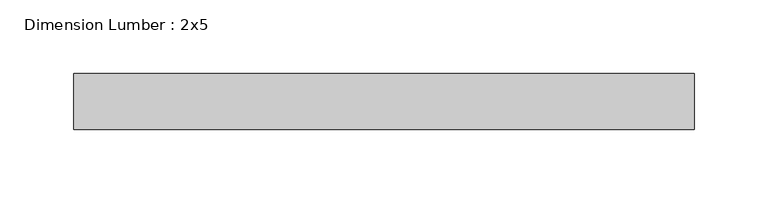
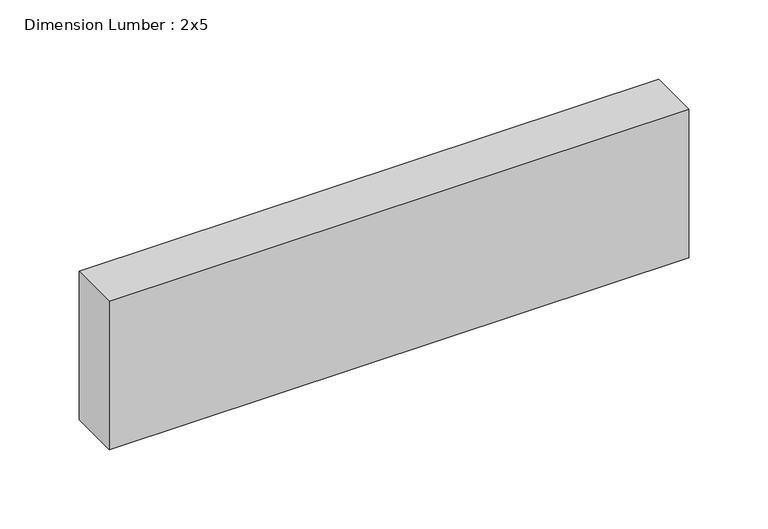
"""IFC4 building model written with IfcOpenShell, lengths in millimetres: beam geometry, Dimension Lumber : 2x5."""

from ifc_helpers import new_model, si_unit, frame, origin, place, context, project, spatial, polyline, outline, extrude, source, transform, mapped, element, save


def dimension_lumber_2x5_9a210e67(model_context):
    return source(origin(), model_context, "Body", "SweptSolid", [
        extrude(outline(polyline([(209.0134198, 19.05), (209.0134198, -19.05), (-212.900691, -19.05), (-212.900691, 19.05), (209.0134198, 19.05)])), frame((0.0, 0.0, -57.15), z_axis=(0.0, 0.0, 1.0), x_axis=(1.0, 0.0, 0.0)), (0.0, 0.0, 1.0), 114.3),
    ])


if __name__ == "__main__":
    model = new_model("IFC4")
    model_context = context("Model", 3, world=origin())
    ifc_project = project(units=[si_unit("LENGTHUNIT", "METRE", prefix="MILLI")], contexts=[model_context])
    site = spatial("IfcSite", under=ifc_project)
    building = spatial("IfcBuilding", under=site)
    placement = place(None, origin())
    dimension_lumber_2x5_shape = dimension_lumber_2x5_9a210e67(model_context)
    element("IfcBeam", 1, ObjectType="Dimension Lumber : 2x5", at=placement, inside=building, context=model_context, shape_type="MappedRepresentation", body=[
        mapped(dimension_lumber_2x5_shape, transform((0.0, 0.0, 0.0), x_axis=(1.0, 0.0, 0.0), y_axis=(0.0, 1.0, 0.0), z_axis=(0.0, 0.0, 1.0))),
    ])
    save(model, "model.ifc")
